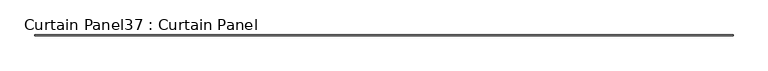
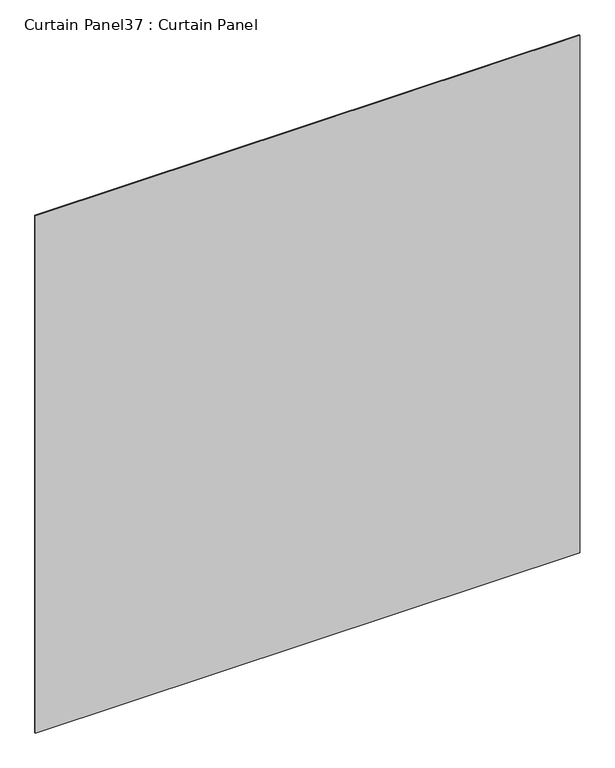
"""IFC4 building model written with IfcOpenShell, lengths in millimetres: plate geometry, Curtain Panel37 : Curtain Panel."""

from ifc_helpers import new_model, si_unit, frame, origin, place, context, project, spatial, polyline, outline, extrude, source, transform, mapped, element, save


def curtain_panel37_curtain_panel_f6ef3222(model_context):
    return source(origin(), model_context, "Body", "SweptSolid", [
        extrude(outline(polyline([(627972.3506153, 2960.8323518), (621971.6006153, 2960.8323518), (621971.6006153, 2967.1823518), (627972.3506153, 2967.1823518), (627972.3506153, 2960.8323518)])), frame((0.0, 0.0, 5274.441486), z_axis=(0.0, 0.0, 1.0), x_axis=(1.0, 0.0, 0.0)), (0.0, 0.0, 1.0), 6029.1611192),
    ])


if __name__ == "__main__":
    model = new_model("IFC4")
    model_context = context("Model", 3, world=origin())
    ifc_project = project(units=[si_unit("LENGTHUNIT", "METRE", prefix="MILLI")], contexts=[model_context])
    site = spatial("IfcSite", under=ifc_project)
    building = spatial("IfcBuilding", under=site)
    placement = place(None, origin())
    curtain_panel37_curtain_panel_shape = curtain_panel37_curtain_panel_f6ef3222(model_context)
    element("IfcPlate", 1, ObjectType="Curtain Panel37 : Curtain Panel", at=placement, inside=building, context=model_context, shape_type="MappedRepresentation", body=[
        mapped(curtain_panel37_curtain_panel_shape, transform((0.0, 0.0, 0.0), x_axis=(1.0, 0.0, 0.0), y_axis=(0.0, 1.0, 0.0), z_axis=(0.0, 0.0, 1.0))),
    ])
    save(model, "model.ifc")
